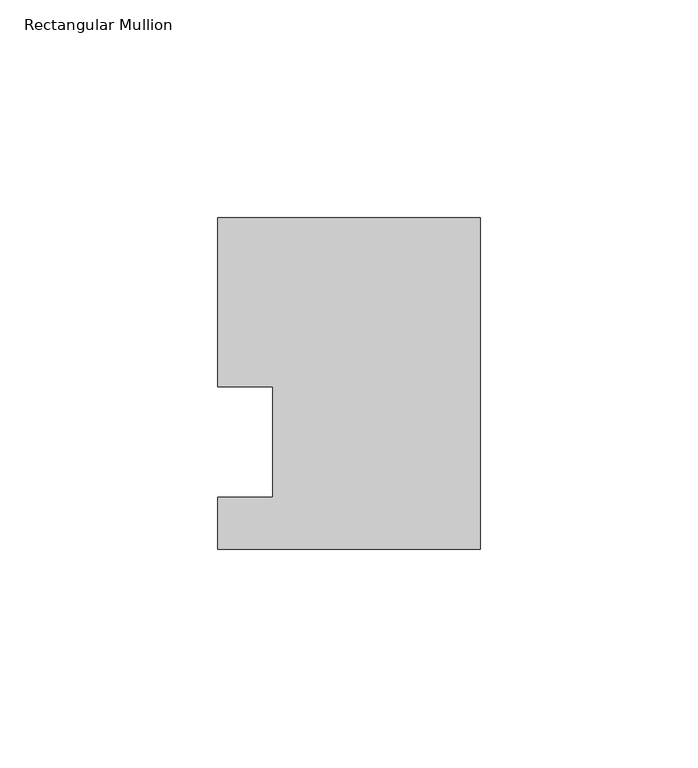
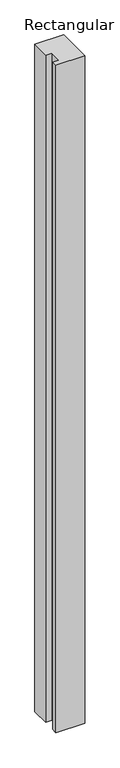
"""IFC4 building model written with IfcOpenShell, lengths in millimetres: member geometry, Rectangular Mullion."""

from ifc_helpers import new_model, si_unit, frame, origin, place, context, project, spatial, polyline, outline, extrude, source, transform, mapped, element, save


def rectangular_mullion_b4e3b43f(model_context):
    return source(origin(), model_context, "Body", "SweptSolid", [
        extrude(outline(polyline([(-60.325, 51.59375), (0.0, 51.59375), (0.0, -24.60625), (-60.325, -24.60625), (-60.325, -12.7), (-47.6232296, -12.7), (-47.6232296, 12.7), (-60.325, 12.7), (-60.325, 51.59375)])), frame((0.0, 0.0, -1478.28), z_axis=(0.0, 0.0, 1.0), x_axis=(1.0, 0.0, 0.0)), (0.0, 0.0, 1.0), 1478.28),
    ])


if __name__ == "__main__":
    model = new_model("IFC4")
    model_context = context("Model", 3, world=origin())
    ifc_project = project(units=[si_unit("LENGTHUNIT", "METRE", prefix="MILLI")], contexts=[model_context])
    site = spatial("IfcSite", under=ifc_project)
    building = spatial("IfcBuilding", under=site)
    placement = place(None, origin())
    rectangular_mullion_shape = rectangular_mullion_b4e3b43f(model_context)
    element("IfcMember", 1, ObjectType="Rectangular Mullion", at=placement, inside=building, context=model_context, shape_type="MappedRepresentation", body=[
        mapped(rectangular_mullion_shape, transform((0.0, 0.0, 0.0), x_axis=(1.0, 0.0, 0.0), y_axis=(0.0, 1.0, 0.0), z_axis=(0.0, 0.0, 1.0))),
    ])
    save(model, "model.ifc")
